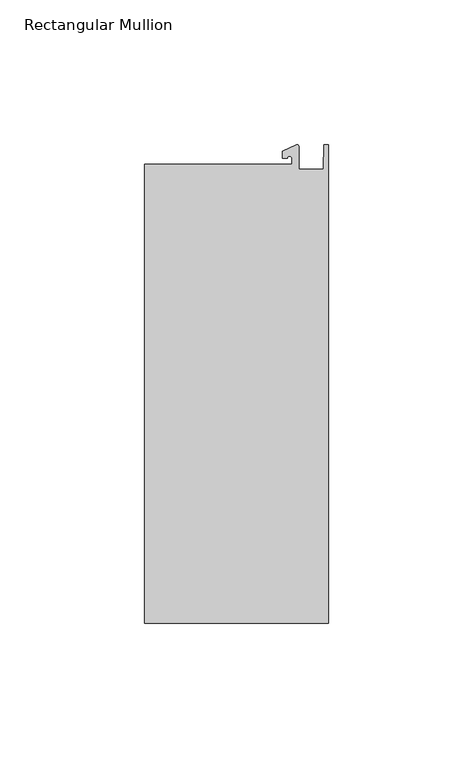
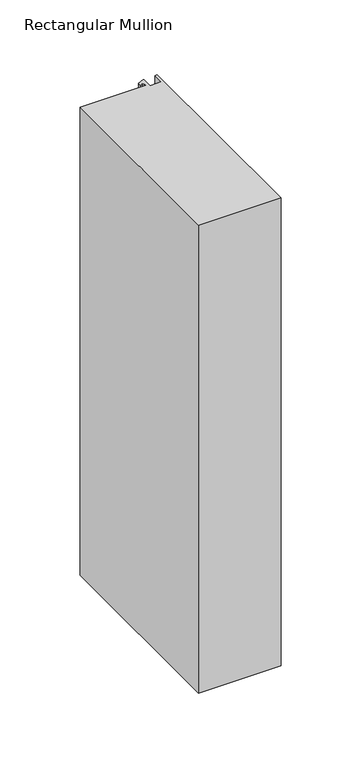
"""IFC4 building model written with IfcOpenShell, lengths in millimetres: member geometry, Rectangular Mullion."""

from ifc_helpers import new_model, si_unit, point, frame, frame_2d, origin, place, context, project, spatial, polyline, circle_curve, trimmed, segment, composite_curve, outline, extrude, source, transform, mapped, element, save


def rectangular_mullion_1e70d72f(model_context):
    return source(origin(), model_context, "Body", "SweptSolid", [
        extrude(outline(composite_curve([segment(polyline([(-12.6173814, 25.5984375), (-12.6173814, 27.6780632)]), True, "CONTINUOUS"), segment(trimmed(circle_curve(frame_2d((-13.4111314, 27.6780632)), 0.79375), [point((-12.6173814, 27.6780632))], [point((-14.2048814, 27.6780632))], True, "CARTESIAN"), True, "CONTINUOUS"), segment(polyline([(-14.2048814, 27.6780632), (-15.7923814, 27.6780632), (-15.7923814, 30.0402625), (-10.9524715, 32.2971496)]), True, "CONTINUOUS"), segment(trimmed(circle_curve(frame_2d((-10.7377814, 31.8367452)), 0.508), [point((-10.9524715, 32.2971496))], [point((-10.2297814, 31.8367452))], False, "CARTESIAN"), True, "CONTINUOUS"), segment(polyline([(-10.2297814, 31.8367452), (-10.2297814, 23.9227662), (-1.7144124, 23.9227662), (-1.5658966, 32.288874), (0.0, 32.288874), (0.0, -132.822512), (-63.5, -132.822512), (-63.5, 25.5984375), (-12.6173814, 25.5984375)]), True, "CONTINUOUS")], self_intersect=False)), frame((0.0, 0.0, -381.0), z_axis=(0.0, 0.0, 1.0), x_axis=(1.0, 0.0, 0.0)), (0.0, 0.0, 1.0), 381.0),
    ])


if __name__ == "__main__":
    model = new_model("IFC4")
    model_context = context("Model", 3, world=origin())
    ifc_project = project(units=[si_unit("LENGTHUNIT", "METRE", prefix="MILLI")], contexts=[model_context])
    site = spatial("IfcSite", under=ifc_project)
    building = spatial("IfcBuilding", under=site)
    placement = place(None, origin())
    rectangular_mullion_shape = rectangular_mullion_1e70d72f(model_context)
    element("IfcMember", 1, ObjectType="Rectangular Mullion", at=placement, inside=building, context=model_context, shape_type="MappedRepresentation", body=[
        mapped(rectangular_mullion_shape, transform((0.0, 0.0, 0.0), x_axis=(1.0, 0.0, 0.0), y_axis=(0.0, 1.0, 0.0), z_axis=(0.0, 0.0, 1.0))),
    ])
    save(model, "model.ifc")
